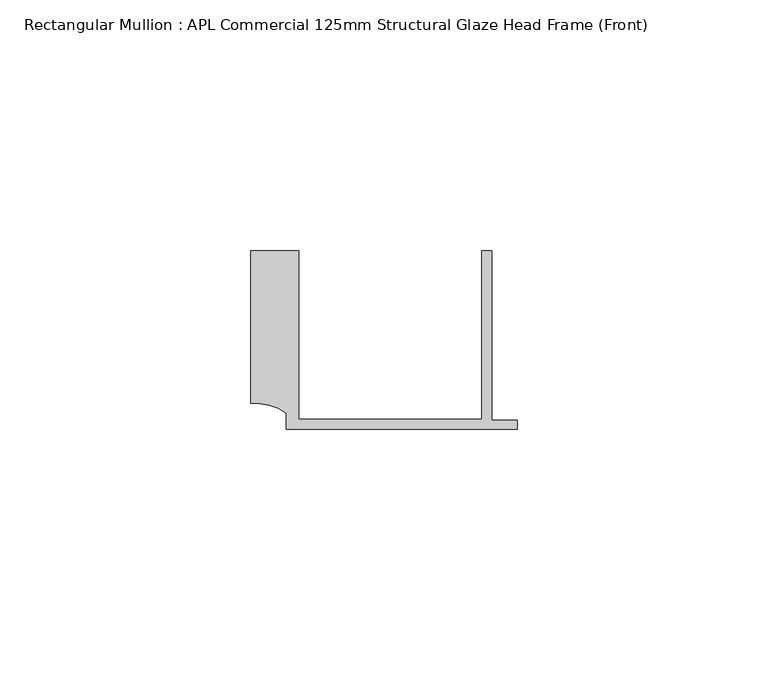
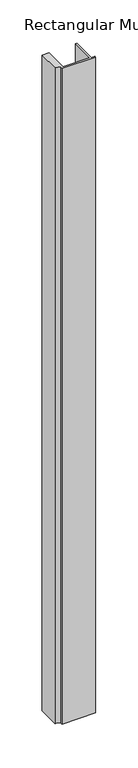
"""IFC4 building model written with IfcOpenShell, lengths in millimetres: member geometry, Rectangular Mullion : APL Commercial 125mm Structural Glaze Head Frame (Front)."""

from ifc_helpers import new_model, si_unit, point, frame, frame_2d, origin, place, context, project, spatial, polyline, circle_curve, trimmed, segment, composite_curve, outline, extrude, source, transform, mapped, element, save


def rectangular_mullion_apl_commercial_125mm_structural_glaze_173d0a07(model_context):
    return source(origin(), model_context, "Body", "SweptSolid", [
        extrude(outline(composite_curve([segment(polyline([(-52.9999542, 15.0), (-43.5000151, 15.0), (-43.5000151, -18.5002486), (-7.0, -18.5002486), (-7.0, 15.0), (-5.0, 15.0), (-5.0, -18.7002486), (0.0, -18.7002486), (0.0, -20.5002486), (-45.9999994, -20.5002486), (-45.9999994, -17.3126154)]), True, "CONTINUOUS"), segment(trimmed(circle_curve(frame_2d((-52.109817, -25.7982641)), 10.4563907), [point((-45.9999994, -17.3126154))], [point((-52.9999542, -15.3798304))], True, "CARTESIAN"), True, "CONTINUOUS"), segment(polyline([(-52.9999542, -15.3798304), (-52.9999542, 15.0)]), True, "CONTINUOUS")], self_intersect=False)), frame((0.0, 0.0, -948.6364888), z_axis=(0.0, 0.0, 1.0), x_axis=(1.0, 0.0, 0.0)), (0.0, 0.0, 1.0), 948.6364888),
    ])


if __name__ == "__main__":
    model = new_model("IFC4")
    model_context = context("Model", 3, world=origin())
    ifc_project = project(units=[si_unit("LENGTHUNIT", "METRE", prefix="MILLI")], contexts=[model_context])
    site = spatial("IfcSite", under=ifc_project)
    building = spatial("IfcBuilding", under=site)
    placement = place(None, origin())
    rectangular_mullion_apl_commercial_125mm_structural_glaze_shape = rectangular_mullion_apl_commercial_125mm_structural_glaze_173d0a07(model_context)
    element("IfcMember", 1, ObjectType="Rectangular Mullion : APL Commercial 125mm Structural Glaze Head Frame (Front)", at=placement, inside=building, context=model_context, shape_type="MappedRepresentation", body=[
        mapped(rectangular_mullion_apl_commercial_125mm_structural_glaze_shape, transform((0.0, 0.0, 0.0), x_axis=(1.0, 0.0, 0.0), y_axis=(0.0, 1.0, 0.0), z_axis=(0.0, 0.0, 1.0))),
    ])
    save(model, "model.ifc")
